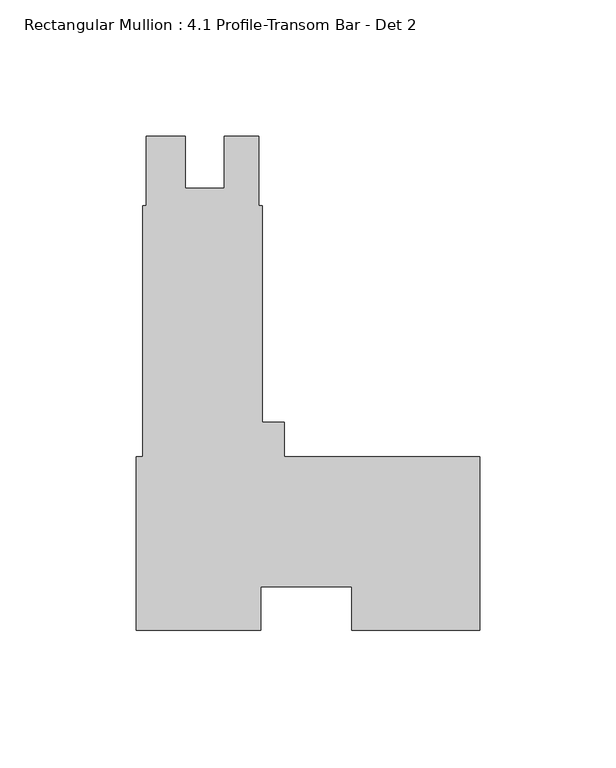
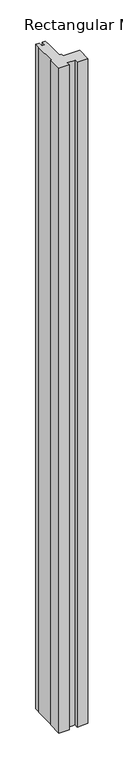
"""IFC4 building model written with IfcOpenShell, lengths in millimetres: member geometry, Rectangular Mullion : 4.1 Profile-Transom Bar - Det 2."""

from ifc_helpers import new_model, si_unit, frame, origin, place, context, project, spatial, polyline, outline, extrude, source, transform, mapped, element, save


def rectangular_mullion_4_1_profile_transom_bar_det_2_15510051(model_context):
    return source(origin(), model_context, "Body", "SweptSolid", [
        extrude(outline(polyline([(0.0, -31.75), (-46.8158937, -31.75), (-46.8158937, -15.8624762), (-80.2361209, -15.8624762), (-80.2361209, -31.75), (-125.7808, -31.75), (-125.7808, 31.75), (-123.39955, 31.75), (-123.39955, 123.825), (-122.1422337, 123.825), (-122.1422337, 149.225), (-107.88015, 149.225), (-107.88015, 130.1877009), (-93.59265, 130.1877009), (-93.59265, 149.225), (-80.87995, 149.225), (-80.87995, 123.825), (-79.60995, 123.825), (-79.60995, 44.45), (-71.6026, 44.45), (-71.6026, 31.75), (0.0, 31.75), (0.0, -31.75)])), frame((0.0, 0.0, -3048.0), z_axis=(0.0, 0.0, 1.0), x_axis=(1.0, 0.0, 0.0)), (0.0, 0.0, 1.0), 3048.0),
    ])


if __name__ == "__main__":
    model = new_model("IFC4")
    model_context = context("Model", 3, world=origin())
    ifc_project = project(units=[si_unit("LENGTHUNIT", "METRE", prefix="MILLI")], contexts=[model_context])
    site = spatial("IfcSite", under=ifc_project)
    building = spatial("IfcBuilding", under=site)
    placement = place(None, origin())
    rectangular_mullion_4_1_profile_transom_bar_det_2_shape = rectangular_mullion_4_1_profile_transom_bar_det_2_15510051(model_context)
    element("IfcMember", 1, ObjectType="Rectangular Mullion : 4.1 Profile-Transom Bar - Det 2", at=placement, inside=building, context=model_context, shape_type="MappedRepresentation", body=[
        mapped(rectangular_mullion_4_1_profile_transom_bar_det_2_shape, transform((0.0, 0.0, 0.0), x_axis=(1.0, 0.0, 0.0), y_axis=(0.0, 1.0, 0.0), z_axis=(0.0, 0.0, 1.0))),
    ])
    save(model, "model.ifc")
